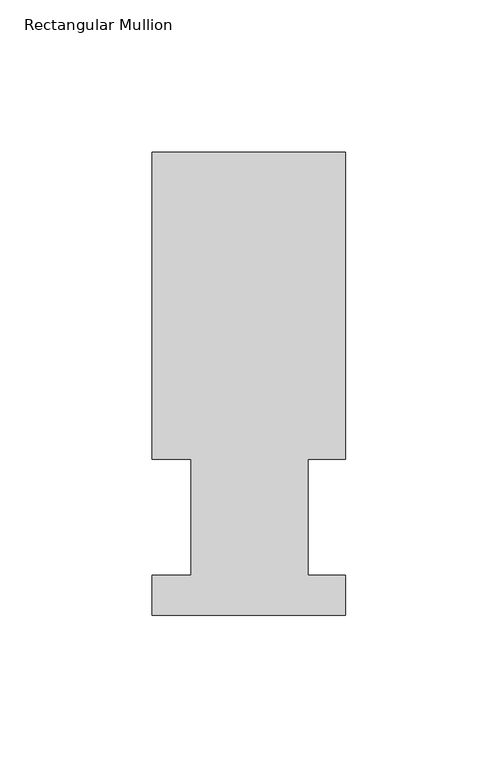
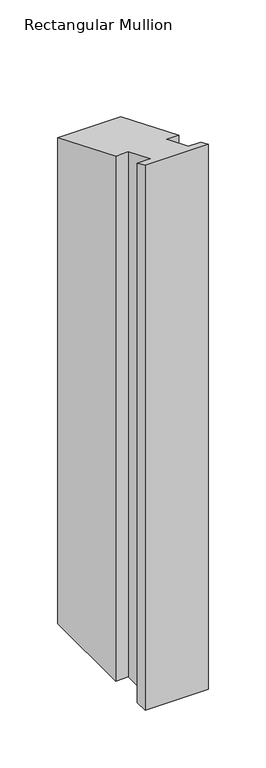
"""IFC4 building model written with IfcOpenShell, lengths in millimetres: member geometry, Rectangular Mullion."""

from ifc_helpers import new_model, si_unit, origin, place, context, project, spatial, faceted_brep, source, transform, mapped, element, save


def rectangular_mullion_230ac40e(model_context):
    return source(origin(), model_context, "Body", "Brep", [
        faceted_brep([(0.0, 151.9816937, -577.8499999), (0.0, 51.2960938, -577.8499999), (-12.3418395, 51.2960937, -577.8499999), (-12.3418395, 13.1960937, -577.8499999), (0.0, 13.1960937, -577.8499999), (0.0, 0.0134937, -577.8499999), (-63.5, 0.0134937, -577.8499999), (-63.5, 13.1960937, -577.8499999), (-50.8, 13.1960937, -577.8499999), (-50.8, 51.2960938, -577.8499999), (-63.5, 51.2960938, -577.8499999), (-63.5, 151.9816937, -577.8499999), (-63.5, 151.9816937, -62.9528788), (0.0, 151.9816937, -62.9528788), (-63.5, 51.2960938, -21.2475377), (-50.8, 51.2960938, -21.2475377), (-50.8, 13.1960937, -5.466001), (-63.5, 13.1960937, -5.466001), (-63.5, 0.0134937, -0.0055893), (0.0, 0.0134937, -0.0055893), (0.0, 13.1960937, -5.466001), (-12.3418395, 13.1960937, -5.466001), (-12.3418395, 51.2960937, -21.2475377), (0.0, 51.2960937, -21.2475377)], [[[0, 1, 2, 3, 4, 5, 6, 7, 8, 9, 10, 11]], [[12, 13, 0, 11]], [[14, 12, 11, 10]], [[15, 14, 10, 9]], [[16, 15, 9, 8]], [[17, 16, 8, 7]], [[18, 17, 7, 6]], [[19, 18, 6, 5]], [[20, 19, 5, 4]], [[21, 20, 4, 3]], [[22, 21, 3, 2]], [[23, 22, 2, 1]], [[13, 23, 1, 0]], [[13, 12, 14, 15, 16, 17, 18, 19, 20, 21, 22, 23]]]),
    ])


if __name__ == "__main__":
    model = new_model("IFC4")
    model_context = context("Model", 3, world=origin())
    ifc_project = project(units=[si_unit("LENGTHUNIT", "METRE", prefix="MILLI")], contexts=[model_context])
    site = spatial("IfcSite", under=ifc_project)
    building = spatial("IfcBuilding", under=site)
    placement = place(None, origin())
    rectangular_mullion_shape = rectangular_mullion_230ac40e(model_context)
    element("IfcMember", 1, ObjectType="Rectangular Mullion", at=placement, inside=building, context=model_context, shape_type="MappedRepresentation", body=[
        mapped(rectangular_mullion_shape, transform((0.0, 0.0, 0.0), x_axis=(1.0, 0.0, 0.0), y_axis=(0.0, 1.0, 0.0), z_axis=(0.0, 0.0, 1.0))),
    ])
    save(model, "model.ifc")
